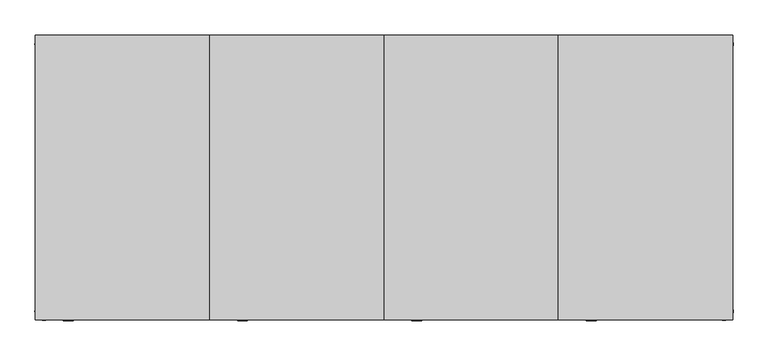
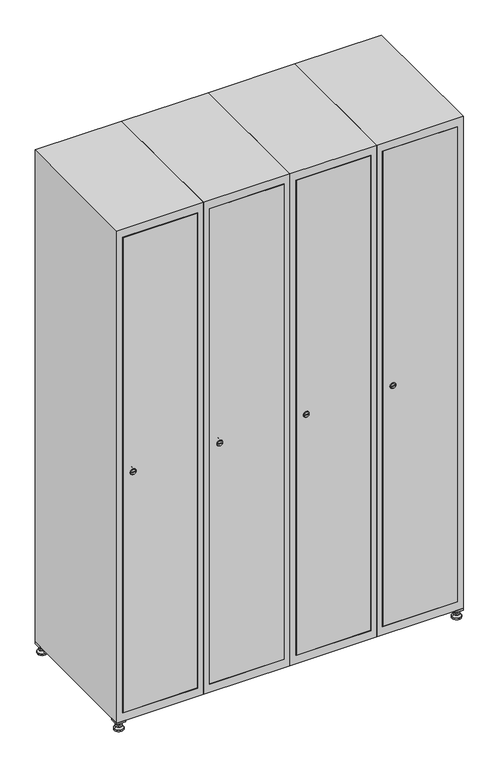
"""IFC4 building model written with IfcOpenShell, lengths in millimetres: furniture geometry."""

from ifc_helpers import new_model, si_unit, point, frame, frame_2d, origin, origin_with_axes, place, context, project, spatial, polyline, circle_curve, trimmed, segment, composite_curve, outline, extrude, faceted_brep, source, transform, mapped, element, save
from ifc_brep_helpers import plane_surface, revolved_surface, advanced_brep


def furniture_b0e16dfd(model_context):
    return source(origin(), model_context, "Body", "SolidModel", [
        extrude(outline(polyline([(1000.0, 245.0), (1000.0, 215.0), (970.0, 215.0), (970.0, 245.0), (1000.0, 245.0)]), holes=[polyline([(998.0, 243.0), (972.0, 243.0), (972.0, 217.0), (998.0, 217.0), (998.0, 243.0)])]), frame((0.0, 0.0, 28.5), z_axis=(0.0, 0.0, 1.0), x_axis=(1.0, 0.0, 0.0)), (0.0, 0.0, 1.0), 6.5),
        extrude(outline(polyline([(970.0, -245.0), (970.0, -215.0), (1000.0, -215.0), (1000.0, -245.0), (970.0, -245.0)]), holes=[polyline([(972.0, -243.0), (998.0, -243.0), (998.0, -217.0), (972.0, -217.0), (972.0, -243.0)])]), frame((0.0, 0.0, 28.5), z_axis=(0.0, 0.0, 1.0), x_axis=(1.0, 0.0, 0.0)), (0.0, 0.0, 1.0), 6.5),
        extrude(outline(polyline([(-170.0, 245.0), (-170.0, 215.0), (-200.0, 215.0), (-200.0, 245.0), (-170.0, 245.0)]), holes=[polyline([(-172.0, 243.0), (-198.0, 243.0), (-198.0, 217.0), (-172.0, 217.0), (-172.0, 243.0)])]), frame((0.0, 0.0, 28.5), z_axis=(0.0, 0.0, 1.0), x_axis=(1.0, 0.0, 0.0)), (0.0, 0.0, 1.0), 6.5),
        extrude(outline(polyline([(-170.0, -215.0), (-170.0, -245.0), (-200.0, -245.0), (-200.0, -215.0), (-170.0, -215.0)]), holes=[polyline([(-198.0, -243.0), (-172.0, -243.0), (-172.0, -217.0), (-198.0, -217.0), (-198.0, -243.0)])]), frame((0.0, 0.0, 28.5), z_axis=(0.0, 0.0, 1.0), x_axis=(1.0, 0.0, 0.0)), (0.0, 0.0, 1.0), 6.5),
        extrude(outline(composite_curve([segment(trimmed(circle_curve(frame_2d((-185.0, 230.0)), 5.0), [point((-180.0, 230.0))], [point((-190.0, 230.0))], False, "CARTESIAN"), True, "CONTINUOUS"), segment(trimmed(circle_curve(frame_2d((-185.0, 230.0)), 5.0), [point((-190.0, 230.0))], [point((-180.0, 230.0))], False, "CARTESIAN"), True, "CONTINUOUS")], self_intersect=False)), frame((0.0, 0.0, 19.6), z_axis=(0.0, 0.0, 1.0), x_axis=(1.0, 0.0, 0.0)), (0.0, 0.0, 1.0), 15.4),
        extrude(outline(composite_curve([segment(trimmed(circle_curve(frame_2d((-185.0, -230.0)), 5.0), [point((-180.0, -230.0))], [point((-190.0, -230.0))], False, "CARTESIAN"), True, "CONTINUOUS"), segment(trimmed(circle_curve(frame_2d((-185.0, -230.0)), 5.0), [point((-190.0, -230.0))], [point((-180.0, -230.0))], False, "CARTESIAN"), True, "CONTINUOUS")], self_intersect=False)), frame((0.0, 0.0, 19.6), z_axis=(0.0, 0.0, 1.0), x_axis=(1.0, 0.0, 0.0)), (0.0, 0.0, 1.0), 15.4),
        extrude(outline(composite_curve([segment(trimmed(circle_curve(frame_2d((985.0, 230.0)), 5.0), [point((990.0, 230.0))], [point((980.0, 230.0))], False, "CARTESIAN"), True, "CONTINUOUS"), segment(trimmed(circle_curve(frame_2d((985.0, 230.0)), 5.0), [point((980.0, 230.0))], [point((990.0, 230.0))], False, "CARTESIAN"), True, "CONTINUOUS")], self_intersect=False)), frame((0.0, 0.0, 19.6), z_axis=(0.0, 0.0, 1.0), x_axis=(1.0, 0.0, 0.0)), (0.0, 0.0, 1.0), 15.4),
        extrude(outline(polyline([(973.4529946, 230.0), (979.2264973, 240.0), (990.7735027, 240.0), (996.5470054, 230.0), (990.7735027, 220.0), (979.2264973, 220.0), (973.4529946, 230.0)])), frame((0.0, 0.0, 13.6), z_axis=(0.0, 0.0, 1.0), x_axis=(1.0, 0.0, 0.0)), (0.0, 0.0, 1.0), 6.0),
        extrude(outline(composite_curve([segment(trimmed(circle_curve(frame_2d((985.0, -230.0)), 5.0), [point((990.0, -230.0))], [point((980.0, -230.0))], False, "CARTESIAN"), True, "CONTINUOUS"), segment(trimmed(circle_curve(frame_2d((985.0, -230.0)), 5.0), [point((980.0, -230.0))], [point((990.0, -230.0))], False, "CARTESIAN"), True, "CONTINUOUS")], self_intersect=False)), frame((0.0, 0.0, 19.6), z_axis=(0.0, 0.0, 1.0), x_axis=(1.0, 0.0, 0.0)), (0.0, 0.0, 1.0), 15.4),
        extrude(outline(polyline([(973.4529946, -230.0), (979.2264973, -220.0), (990.7735027, -220.0), (996.5470054, -230.0), (990.7735027, -240.0), (979.2264973, -240.0), (973.4529946, -230.0)])), frame((0.0, 0.0, 13.6), z_axis=(0.0, 0.0, 1.0), x_axis=(1.0, 0.0, 0.0)), (0.0, 0.0, 1.0), 6.0),
        extrude(outline(composite_curve([segment(trimmed(circle_curve(frame_2d((985.0, 230.0)), 5.0), [point((990.0, 230.0))], [point((980.0, 230.0))], False, "CARTESIAN"), True, "CONTINUOUS"), segment(trimmed(circle_curve(frame_2d((985.0, 230.0)), 5.0), [point((980.0, 230.0))], [point((990.0, 230.0))], False, "CARTESIAN"), True, "CONTINUOUS")], self_intersect=False)), frame((0.0, 0.0, 12.1), z_axis=(0.0, 0.0, 1.0), x_axis=(1.0, 0.0, 0.0)), (0.0, 0.0, 1.0), 1.5),
        extrude(outline(composite_curve([segment(trimmed(circle_curve(frame_2d((985.0, -230.0)), 5.0), [point((990.0, -230.0))], [point((980.0, -230.0))], False, "CARTESIAN"), True, "CONTINUOUS"), segment(trimmed(circle_curve(frame_2d((985.0, -230.0)), 5.0), [point((980.0, -230.0))], [point((990.0, -230.0))], False, "CARTESIAN"), True, "CONTINUOUS")], self_intersect=False)), frame((0.0, 0.0, 12.1), z_axis=(0.0, 0.0, 1.0), x_axis=(1.0, 0.0, 0.0)), (0.0, 0.0, 1.0), 1.5),
        extrude(outline(polyline([(-196.5470054, 230.0), (-190.7735027, 240.0), (-179.2264973, 240.0), (-173.4529946, 230.0), (-179.2264973, 220.0), (-190.7735027, 220.0), (-196.5470054, 230.0)])), frame((0.0, 0.0, 13.6), z_axis=(0.0, 0.0, 1.0), x_axis=(1.0, 0.0, 0.0)), (0.0, 0.0, 1.0), 6.0),
        extrude(outline(polyline([(-196.5470054, -230.0), (-190.7735027, -220.0), (-179.2264973, -220.0), (-173.4529946, -230.0), (-179.2264973, -240.0), (-190.7735027, -240.0), (-196.5470054, -230.0)])), frame((0.0, 0.0, 13.6), z_axis=(0.0, 0.0, 1.0), x_axis=(1.0, 0.0, 0.0)), (0.0, 0.0, 1.0), 6.0),
        extrude(outline(composite_curve([segment(trimmed(circle_curve(frame_2d((-185.0, 230.0)), 5.0), [point((-185.0, 235.0))], [point((-185.0, 225.0))], False, "CARTESIAN"), True, "CONTINUOUS"), segment(trimmed(circle_curve(frame_2d((-185.0, 230.0)), 5.0), [point((-185.0, 225.0))], [point((-185.0, 235.0))], False, "CARTESIAN"), True, "CONTINUOUS")], self_intersect=False)), frame((0.0, 0.0, 12.1), z_axis=(0.0, 0.0, 1.0), x_axis=(1.0, 0.0, 0.0)), (0.0, 0.0, 1.0), 1.5),
        extrude(outline(composite_curve([segment(trimmed(circle_curve(frame_2d((-185.0, -230.0)), 5.0), [point((-180.0, -230.0))], [point((-190.0, -230.0))], False, "CARTESIAN"), True, "CONTINUOUS"), segment(trimmed(circle_curve(frame_2d((-185.0, -230.0)), 5.0), [point((-190.0, -230.0))], [point((-180.0, -230.0))], False, "CARTESIAN"), True, "CONTINUOUS")], self_intersect=False)), frame((0.0, 0.0, 12.1), z_axis=(0.0, 0.0, 1.0), x_axis=(1.0, 0.0, 0.0)), (0.0, 0.0, 1.0), 1.5),
        extrude(outline(composite_curve([segment(trimmed(circle_curve(frame_2d((985.0, 230.0)), 15.75), [point((1000.75, 230.0))], [point((969.25, 230.0))], False, "CARTESIAN"), True, "CONTINUOUS"), segment(trimmed(circle_curve(frame_2d((985.0, 230.0)), 15.75), [point((969.25, 230.0))], [point((1000.75, 230.0))], False, "CARTESIAN"), True, "CONTINUOUS")], self_intersect=False)), origin_with_axes(), (0.0, 0.0, 1.0), 5.1),
        extrude(outline(composite_curve([segment(trimmed(circle_curve(frame_2d((985.0, -230.0)), 15.75), [point((985.0, -214.25))], [point((985.0, -245.75))], False, "CARTESIAN"), True, "CONTINUOUS"), segment(trimmed(circle_curve(frame_2d((985.0, -230.0)), 15.75), [point((985.0, -245.75))], [point((985.0, -214.25))], False, "CARTESIAN"), True, "CONTINUOUS")], self_intersect=False)), origin_with_axes(), (0.0, 0.0, 1.0), 5.1),
        extrude(outline(composite_curve([segment(trimmed(circle_curve(frame_2d((-185.0, -230.0)), 15.75), [point((-169.25, -230.0))], [point((-200.75, -230.0))], False, "CARTESIAN"), True, "CONTINUOUS"), segment(trimmed(circle_curve(frame_2d((-185.0, -230.0)), 15.75), [point((-200.75, -230.0))], [point((-169.25, -230.0))], False, "CARTESIAN"), True, "CONTINUOUS")], self_intersect=False)), origin_with_axes(), (0.0, 0.0, 1.0), 5.1),
        extrude(outline(composite_curve([segment(trimmed(circle_curve(frame_2d((-185.0, 230.0)), 15.75), [point((-169.25, 230.0))], [point((-200.75, 230.0))], False, "CARTESIAN"), True, "CONTINUOUS"), segment(trimmed(circle_curve(frame_2d((-185.0, 230.0)), 15.75), [point((-200.75, 230.0))], [point((-169.25, 230.0))], False, "CARTESIAN"), True, "CONTINUOUS")], self_intersect=False)), origin_with_axes(), (0.0, 0.0, 1.0), 5.1),
        advanced_brep(
        [(-185.0, 245.75, 5.1), (-185.0, 214.25, 5.1), (-185.0, 239.5, 12.1), (-185.0, 220.5, 12.1)],
        [
            (0, 1, circle_curve(frame((-185.0, 230.0, 5.1), z_axis=(0.0, 0.0, -1.0), x_axis=(0.0, 1.0, 0.0)), 15.75)),
            (1, 0, circle_curve(frame((-185.0, 230.0, 5.1), z_axis=(0.0, 0.0, -1.0), x_axis=(0.0, -1.0, 0.0)), 15.75)),
            (2, 3, circle_curve(frame((-185.0, 230.0, 12.1), z_axis=(0.0, 0.0, 1.0), x_axis=(0.0, -1.0, 0.0)), 9.5)),
            (3, 2, circle_curve(frame((-185.0, 230.0, 12.1), z_axis=(0.0, 0.0, 1.0), x_axis=(0.0, 1.0, 0.0)), 9.5)),
            (3, 1),
            (0, 2),
        ],
        [
            plane_surface(frame((-185.0, 230.0, 5.1), z_axis=(0.0, 0.0, -1.0), x_axis=(1.0, 0.0, 0.0))),
            plane_surface(frame((-185.0, 230.0, 12.1), z_axis=(0.0, 0.0, 1.0), x_axis=(1.0, 0.0, 0.0))),
            revolved_surface(polyline([(-185.0, 220.5, 12.099999999999998), (-185.0, 214.25, 5.099999999999998)]), (-185.0, 230.0, 22.74), (0.0, 0.0, -1.0)),
            revolved_surface(polyline([(-185.0, 239.5, 12.099999999999998), (-185.0, 245.75, 5.099999999999998)]), (-185.0, 230.0, 22.74), (0.0, 0.0, -1.0)),
        ],
        [
            (0, [[1, 2]]),
            (1, [[3, 4]]),
            (2, [[-4, 5, -1, 6]]),
            (3, [[-3, -6, -2, -5]]),
        ],
    ),
        advanced_brep(
        [(985.0, 245.75, 5.1), (985.0, 214.25, 5.1), (985.0, 239.5, 12.1), (985.0, 220.5, 12.1)],
        [
            (0, 1, circle_curve(frame((985.0, 230.0, 5.1), z_axis=(0.0, 0.0, -1.0), x_axis=(0.0, 1.0, 0.0)), 15.75)),
            (1, 0, circle_curve(frame((985.0, 230.0, 5.1), z_axis=(0.0, 0.0, -1.0), x_axis=(0.0, -1.0, 0.0)), 15.75)),
            (2, 3, circle_curve(frame((985.0, 230.0, 12.1), z_axis=(0.0, 0.0, 1.0), x_axis=(0.0, -1.0, 0.0)), 9.5)),
            (3, 2, circle_curve(frame((985.0, 230.0, 12.1), z_axis=(0.0, 0.0, 1.0), x_axis=(0.0, 1.0, 0.0)), 9.5)),
            (3, 1),
            (0, 2),
        ],
        [
            plane_surface(frame((985.0, 230.0, 5.1), z_axis=(0.0, 0.0, -1.0), x_axis=(1.0, 0.0, 0.0))),
            plane_surface(frame((985.0, 230.0, 12.1), z_axis=(0.0, 0.0, 1.0), x_axis=(1.0, 0.0, 0.0))),
            revolved_surface(polyline([(985.0, 220.5, 12.099999999999998), (985.0, 214.25, 5.099999999999998)]), (985.0, 230.0, 22.74), (0.0, 0.0, -1.0)),
            revolved_surface(polyline([(985.0, 239.5, 12.099999999999998), (985.0, 245.75, 5.099999999999998)]), (985.0, 230.0, 22.74), (0.0, 0.0, -1.0)),
        ],
        [
            (0, [[1, 2]]),
            (1, [[3, 4]]),
            (2, [[-4, 5, -1, 6]]),
            (3, [[-3, -6, -2, -5]]),
        ],
    ),
        advanced_brep(
        [(994.5, -230.0, 12.1), (975.5, -230.0, 12.1), (1000.75, -230.0, 5.1), (969.25, -230.0, 5.1)],
        [
            (0, 1, circle_curve(frame((985.0, -230.0, 12.1), z_axis=(0.0, 0.0, 1.0), x_axis=(1.0, 0.0, 0.0)), 9.5)),
            (1, 0, circle_curve(frame((985.0, -230.0, 12.1), z_axis=(0.0, 0.0, 1.0), x_axis=(-1.0, 0.0, 0.0)), 9.5)),
            (2, 3, circle_curve(frame((985.0, -230.0, 5.1), z_axis=(0.0, 0.0, -1.0), x_axis=(-1.0, 0.0, 0.0)), 15.75)),
            (3, 2, circle_curve(frame((985.0, -230.0, 5.1), z_axis=(0.0, 0.0, -1.0), x_axis=(1.0, 0.0, 0.0)), 15.75)),
            (3, 1),
            (0, 2),
        ],
        [
            plane_surface(frame((985.0, -230.0, 12.1), z_axis=(0.0, 0.0, 1.0), x_axis=(0.0, 1.0, 0.0))),
            plane_surface(frame((985.0, -230.0, 5.1), z_axis=(0.0, 0.0, -1.0), x_axis=(0.0, 1.0, 0.0))),
            revolved_surface(polyline([(994.5, -230.0, 12.099999999999998), (1000.75, -230.0, 5.099999999999998)]), (985.0, -230.0, 22.74), (0.0, 0.0, -1.0)),
            revolved_surface(polyline([(975.5, -230.0, 12.099999999999998), (969.25, -230.0, 5.099999999999998)]), (985.0, -230.0, 22.74), (0.0, 0.0, -1.0)),
        ],
        [
            (0, [[1, 2]]),
            (1, [[3, 4]]),
            (2, [[-4, 5, -1, 6]]),
            (3, [[-3, -6, -2, -5]]),
        ],
    ),
        advanced_brep(
        [(-175.5, -230.0, 12.1), (-194.5, -230.0, 12.1), (-169.25, -230.0, 5.1), (-200.75, -230.0, 5.1)],
        [
            (0, 1, circle_curve(frame((-185.0, -230.0, 12.1), z_axis=(0.0, 0.0, 1.0), x_axis=(1.0, 0.0, 0.0)), 9.5)),
            (1, 0, circle_curve(frame((-185.0, -230.0, 12.1), z_axis=(0.0, 0.0, 1.0), x_axis=(-1.0, 0.0, 0.0)), 9.5)),
            (2, 3, circle_curve(frame((-185.0, -230.0, 5.1), z_axis=(0.0, 0.0, -1.0), x_axis=(-1.0, 0.0, 0.0)), 15.75)),
            (3, 2, circle_curve(frame((-185.0, -230.0, 5.1), z_axis=(0.0, 0.0, -1.0), x_axis=(1.0, 0.0, 0.0)), 15.75)),
            (3, 1),
            (0, 2),
        ],
        [
            plane_surface(frame((-185.0, -230.0, 12.1), z_axis=(0.0, 0.0, 1.0), x_axis=(0.0, 1.0, 0.0))),
            plane_surface(frame((-185.0, -230.0, 5.1), z_axis=(0.0, 0.0, -1.0), x_axis=(0.0, 1.0, 0.0))),
            revolved_surface(polyline([(-175.5, -230.0, 12.099999999999998), (-169.25, -230.0, 5.099999999999998)]), (-185.0, -230.0, 22.74), (0.0, 0.0, -1.0)),
            revolved_surface(polyline([(-194.5, -230.0, 12.099999999999998), (-200.75, -230.0, 5.099999999999998)]), (-185.0, -230.0, 22.74), (0.0, 0.0, -1.0)),
        ],
        [
            (0, [[1, 2]]),
            (1, [[3, 4]]),
            (2, [[-4, 5, -1, 6]]),
            (3, [[-3, -6, -2, -5]]),
        ],
    ),
        extrude(outline(composite_curve([segment(trimmed(circle_curve(frame_2d((935.0, 729.6010534)), 7.0), [point((942.0, 729.6010534))], [point((928.0, 729.6010534))], False, "CARTESIAN"), True, "CONTINUOUS"), segment(polyline([(928.0, 729.6010534), (928.0, 757.6010534)]), True, "CONTINUOUS"), segment(trimmed(circle_curve(frame_2d((935.0, 757.6010534)), 7.0), [point((928.0, 757.6010534))], [point((942.0, 757.6010534))], False, "CARTESIAN"), True, "CONTINUOUS"), segment(polyline([(942.0, 757.6010534), (942.0, 729.6010534)]), True, "CONTINUOUS")], self_intersect=False)), frame((0.0, -227.0, 0.0), z_axis=(0.0, 1.0, 0.0), x_axis=(0.0, 0.0, 1.0)), (0.0, 0.0, 1.0), 2.0),
        advanced_brep(
        [(764.9, -247.2, 935.0), (747.9, -247.2, 935.0), (751.4, -247.2, 933.75), (751.4, -247.2, 936.25), (761.4, -247.2, 936.25), (761.4, -247.2, 933.75), (766.9, -245.0, 935.0), (745.9, -245.0, 935.0), (751.4, -245.0, 936.25), (751.4, -245.0, 933.75), (761.4, -245.0, 933.75), (761.4, -245.0, 936.25)],
        [
            (0, 1, circle_curve(frame((756.4, -247.2, 935.0), z_axis=(0.0, -1.0, 0.0), x_axis=(1.0, 0.0, 0.0)), 8.5)),
            (1, 0, circle_curve(frame((756.4, -247.2, 935.0), z_axis=(0.0, -1.0, 0.0), x_axis=(-1.0, 0.0, 0.0)), 8.5)),
            (2, 3),
            (3, 4),
            (4, 5),
            (5, 2),
            (6, 7, circle_curve(frame((756.4, -245.0, 935.0), z_axis=(0.0, 1.0, 0.0), x_axis=(-1.0, 0.0, 0.0)), 10.5)),
            (7, 6, circle_curve(frame((756.4, -245.0, 935.0), z_axis=(0.0, 1.0, 0.0), x_axis=(1.0, 0.0, 0.0)), 10.5)),
            (8, 9),
            (9, 10),
            (10, 11),
            (11, 8),
            (0, 6),
            (7, 1),
            (8, 3),
            (2, 9),
            (11, 4),
            (10, 5),
        ],
        [
            plane_surface(frame((756.4, -247.2, 935.0), z_axis=(0.0, -1.0, 0.0), x_axis=(0.0, 0.0, 1.0))),
            plane_surface(frame((756.4, -245.0, 935.0), z_axis=(0.0, 1.0, 0.0), x_axis=(0.0, 0.0, 1.0))),
            revolved_surface(polyline([(764.9, -247.2, 935.0), (766.9, -245.0, 935.0)]), (756.4, -256.55, 935.0), (0.0, 1.0, 0.0)),
            revolved_surface(polyline([(747.9, -247.2, 935.0), (745.9, -245.0, 935.0)]), (756.4, -256.55, 935.0), (0.0, 1.0, 0.0)),
            plane_surface(frame((751.4, -245.0, 933.75), z_axis=(1.0, 0.0, 0.0), x_axis=(0.0, -1.0, 0.0))),
            plane_surface(frame((751.4, -245.0, 936.25), z_axis=(0.0, 0.0, -1.0), x_axis=(0.0, -1.0, 0.0))),
            plane_surface(frame((761.4, -245.0, 936.25), z_axis=(-1.0, 0.0, 0.0), x_axis=(0.0, -1.0, 0.0))),
            plane_surface(frame((761.4, -245.0, 933.75), z_axis=(0.0, 0.0, 1.0), x_axis=(0.0, -1.0, 0.0))),
        ],
        [
            (0, [[1, 2], [3, 4, 5, 6]]),
            (1, [[7, 8], [9, 10, 11, 12]]),
            (2, [[-1, 13, -8, 14]]),
            (3, [[-2, -14, -7, -13]]),
            (4, [[15, -3, 16, -9]]),
            (5, [[-15, -12, 17, -4]]),
            (6, [[-17, -11, 18, -5]]),
            (7, [[-16, -6, -18, -10]]),
        ],
    ),
        extrude(outline(polyline([(978.6, -227.0), (978.6, -245.0), (721.4, -245.0), (721.4, -227.0), (978.6, -227.0)])), frame((0.0, 0.0, 66.2), z_axis=(0.0, 0.0, 1.0), x_axis=(1.0, 0.0, 0.0)), (0.0, 0.0, 1.0), 1737.6),
        faceted_brep([(1000.0, -245.0, 35.0), (1000.0, -245.0, 1835.0), (700.0, -245.0, 1835.0), (700.0, -245.0, 35.0), (979.6, -245.0, 1804.8), (979.6, -245.0, 65.2), (720.4, -245.0, 65.2), (720.4, -245.0, 1804.8), (1000.0, 245.0, 35.0), (700.0, 245.0, 35.0), (1000.0, 245.0, 1835.0), (700.0, 245.0, 1835.0), (979.6, 242.0, 1804.8), (979.6, 242.0, 65.2), (700.0, 245.0, 1804.8), (720.4, 242.0, 1804.8), (720.4, 242.0, 65.2)], [[[0, 1, 2, 3], [4, 5, 6, 7]], [[8, 0, 3, 9]], [[1, 0, 8, 10]], [[1, 10, 11, 2]], [[4, 12, 13, 5]], [[9, 3, 2, 11, 14]], [[10, 8, 9, 14, 11]], [[12, 15, 16, 13]], [[15, 7, 6, 16]], [[4, 7, 15, 12]], [[6, 5, 13, 16]]]),
        extrude(outline(composite_curve([segment(trimmed(circle_curve(frame_2d((935.0, 429.6010534)), 7.0), [point((942.0, 429.6010534))], [point((928.0, 429.6010534))], False, "CARTESIAN"), True, "CONTINUOUS"), segment(polyline([(928.0, 429.6010534), (928.0, 457.6010534)]), True, "CONTINUOUS"), segment(trimmed(circle_curve(frame_2d((935.0, 457.6010534)), 7.0), [point((928.0, 457.6010534))], [point((942.0, 457.6010534))], False, "CARTESIAN"), True, "CONTINUOUS"), segment(polyline([(942.0, 457.6010534), (942.0, 429.6010534)]), True, "CONTINUOUS")], self_intersect=False)), frame((0.0, -227.0, 0.0), z_axis=(0.0, 1.0, 0.0), x_axis=(0.0, 0.0, 1.0)), (0.0, 0.0, 1.0), 2.0),
        advanced_brep(
        [(464.9, -247.2, 935.0), (447.9, -247.2, 935.0), (451.4, -247.2, 933.75), (451.4, -247.2, 936.25), (461.4, -247.2, 936.25), (461.4, -247.2, 933.75), (466.9, -245.0, 935.0), (445.9, -245.0, 935.0), (451.4, -245.0, 936.25), (451.4, -245.0, 933.75), (461.4, -245.0, 933.75), (461.4, -245.0, 936.25)],
        [
            (0, 1, circle_curve(frame((456.4, -247.2, 935.0), z_axis=(0.0, -1.0, 0.0), x_axis=(1.0, 0.0, 0.0)), 8.5)),
            (1, 0, circle_curve(frame((456.4, -247.2, 935.0), z_axis=(0.0, -1.0, 0.0), x_axis=(-1.0, 0.0, 0.0)), 8.5)),
            (2, 3),
            (3, 4),
            (4, 5),
            (5, 2),
            (6, 7, circle_curve(frame((456.4, -245.0, 935.0), z_axis=(0.0, 1.0, 0.0), x_axis=(-1.0, 0.0, 0.0)), 10.5)),
            (7, 6, circle_curve(frame((456.4, -245.0, 935.0), z_axis=(0.0, 1.0, 0.0), x_axis=(1.0, 0.0, 0.0)), 10.5)),
            (8, 9),
            (9, 10),
            (10, 11),
            (11, 8),
            (0, 6),
            (7, 1),
            (8, 3),
            (2, 9),
            (11, 4),
            (10, 5),
        ],
        [
            plane_surface(frame((456.4, -247.2, 935.0), z_axis=(0.0, -1.0, 0.0), x_axis=(0.0, 0.0, 1.0))),
            plane_surface(frame((456.4, -245.0, 935.0), z_axis=(0.0, 1.0, 0.0), x_axis=(0.0, 0.0, 1.0))),
            revolved_surface(polyline([(464.9, -247.2, 935.0), (466.9, -245.0, 935.0)]), (456.4, -256.55, 935.0), (0.0, 1.0, 0.0)),
            revolved_surface(polyline([(447.9, -247.2, 935.0), (445.9, -245.0, 935.0)]), (456.4, -256.55, 935.0), (0.0, 1.0, 0.0)),
            plane_surface(frame((451.4, -245.0, 933.75), z_axis=(1.0, 0.0, 0.0), x_axis=(0.0, -1.0, 0.0))),
            plane_surface(frame((451.4, -245.0, 936.25), z_axis=(0.0, 0.0, -1.0), x_axis=(0.0, -1.0, 0.0))),
            plane_surface(frame((461.4, -245.0, 936.25), z_axis=(-1.0, 0.0, 0.0), x_axis=(0.0, -1.0, 0.0))),
            plane_surface(frame((461.4, -245.0, 933.75), z_axis=(0.0, 0.0, 1.0), x_axis=(0.0, -1.0, 0.0))),
        ],
        [
            (0, [[1, 2], [3, 4, 5, 6]]),
            (1, [[7, 8], [9, 10, 11, 12]]),
            (2, [[-1, 13, -8, 14]]),
            (3, [[-2, -14, -7, -13]]),
            (4, [[15, -3, 16, -9]]),
            (5, [[-15, -12, 17, -4]]),
            (6, [[-17, -11, 18, -5]]),
            (7, [[-16, -6, -18, -10]]),
        ],
    ),
        extrude(outline(polyline([(678.6, -227.0), (678.6, -245.0), (421.4, -245.0), (421.4, -227.0), (678.6, -227.0)])), frame((0.0, 0.0, 66.2), z_axis=(0.0, 0.0, 1.0), x_axis=(1.0, 0.0, 0.0)), (0.0, 0.0, 1.0), 1737.6),
        faceted_brep([(700.0, -245.0, 35.0), (700.0, -245.0, 1835.0), (400.0, -245.0, 1835.0), (400.0, -245.0, 35.0), (679.6, -245.0, 1804.8), (679.6, -245.0, 65.2), (420.4, -245.0, 65.2), (420.4, -245.0, 1804.8), (700.0, 245.0, 35.0), (400.0, 245.0, 35.0), (700.0, 245.0, 1835.0), (400.0, 245.0, 1835.0), (679.6, 242.0, 1804.8), (679.6, 242.0, 65.2), (400.0, 245.0, 1804.8), (420.4, 242.0, 1804.8), (420.4, 242.0, 65.2)], [[[0, 1, 2, 3], [4, 5, 6, 7]], [[8, 0, 3, 9]], [[1, 0, 8, 10]], [[1, 10, 11, 2]], [[4, 12, 13, 5]], [[9, 3, 2, 11, 14]], [[10, 8, 9, 14, 11]], [[12, 15, 16, 13]], [[15, 7, 6, 16]], [[4, 7, 15, 12]], [[6, 5, 13, 16]]]),
        extrude(outline(composite_curve([segment(trimmed(circle_curve(frame_2d((935.0, 129.6010534)), 7.0), [point((942.0, 129.6010534))], [point((928.0, 129.6010534))], False, "CARTESIAN"), True, "CONTINUOUS"), segment(polyline([(928.0, 129.6010534), (928.0, 157.6010534)]), True, "CONTINUOUS"), segment(trimmed(circle_curve(frame_2d((935.0, 157.6010534)), 7.0), [point((928.0, 157.6010534))], [point((942.0, 157.6010534))], False, "CARTESIAN"), True, "CONTINUOUS"), segment(polyline([(942.0, 157.6010534), (942.0, 129.6010534)]), True, "CONTINUOUS")], self_intersect=False)), frame((0.0, -227.0, 0.0), z_axis=(0.0, 1.0, 0.0), x_axis=(0.0, 0.0, 1.0)), (0.0, 0.0, 1.0), 2.0),
        advanced_brep(
        [(164.9, -247.2, 935.0), (147.9, -247.2, 935.0), (151.4, -247.2, 933.75), (151.4, -247.2, 936.25), (161.4, -247.2, 936.25), (161.4, -247.2, 933.75), (166.9, -245.0, 935.0), (145.9, -245.0, 935.0), (151.4, -245.0, 936.25), (151.4, -245.0, 933.75), (161.4, -245.0, 933.75), (161.4, -245.0, 936.25)],
        [
            (0, 1, circle_curve(frame((156.4, -247.2, 935.0), z_axis=(0.0, -1.0, 0.0), x_axis=(1.0, 0.0, 0.0)), 8.5)),
            (1, 0, circle_curve(frame((156.4, -247.2, 935.0), z_axis=(0.0, -1.0, 0.0), x_axis=(-1.0, 0.0, 0.0)), 8.5)),
            (2, 3),
            (3, 4),
            (4, 5),
            (5, 2),
            (6, 7, circle_curve(frame((156.4, -245.0, 935.0), z_axis=(0.0, 1.0, 0.0), x_axis=(-1.0, 0.0, 0.0)), 10.5)),
            (7, 6, circle_curve(frame((156.4, -245.0, 935.0), z_axis=(0.0, 1.0, 0.0), x_axis=(1.0, 0.0, 0.0)), 10.5)),
            (8, 9),
            (9, 10),
            (10, 11),
            (11, 8),
            (0, 6),
            (7, 1),
            (8, 3),
            (2, 9),
            (11, 4),
            (10, 5),
        ],
        [
            plane_surface(frame((156.4, -247.2, 935.0), z_axis=(0.0, -1.0, 0.0), x_axis=(0.0, 0.0, 1.0))),
            plane_surface(frame((156.4, -245.0, 935.0), z_axis=(0.0, 1.0, 0.0), x_axis=(0.0, 0.0, 1.0))),
            revolved_surface(polyline([(164.9, -247.2, 935.0), (166.9, -245.0, 935.0)]), (156.4, -256.55, 935.0), (0.0, 1.0, 0.0)),
            revolved_surface(polyline([(147.9, -247.2, 935.0), (145.9, -245.0, 935.0)]), (156.4, -256.55, 935.0), (0.0, 1.0, 0.0)),
            plane_surface(frame((151.4, -245.0, 933.75), z_axis=(1.0, 0.0, 0.0), x_axis=(0.0, -1.0, 0.0))),
            plane_surface(frame((151.4, -245.0, 936.25), z_axis=(0.0, 0.0, -1.0), x_axis=(0.0, -1.0, 0.0))),
            plane_surface(frame((161.4, -245.0, 936.25), z_axis=(-1.0, 0.0, 0.0), x_axis=(0.0, -1.0, 0.0))),
            plane_surface(frame((161.4, -245.0, 933.75), z_axis=(0.0, 0.0, 1.0), x_axis=(0.0, -1.0, 0.0))),
        ],
        [
            (0, [[1, 2], [3, 4, 5, 6]]),
            (1, [[7, 8], [9, 10, 11, 12]]),
            (2, [[-1, 13, -8, 14]]),
            (3, [[-2, -14, -7, -13]]),
            (4, [[15, -3, 16, -9]]),
            (5, [[-15, -12, 17, -4]]),
            (6, [[-17, -11, 18, -5]]),
            (7, [[-16, -6, -18, -10]]),
        ],
    ),
        extrude(outline(polyline([(378.6, -227.0), (378.6, -245.0), (121.4, -245.0), (121.4, -227.0), (378.6, -227.0)])), frame((0.0, 0.0, 66.2), z_axis=(0.0, 0.0, 1.0), x_axis=(1.0, 0.0, 0.0)), (0.0, 0.0, 1.0), 1737.6),
        faceted_brep([(400.0, -245.0, 35.0), (400.0, -245.0, 1835.0), (100.0, -245.0, 1835.0), (100.0, -245.0, 35.0), (379.6, -245.0, 1804.8), (379.6, -245.0, 65.2), (120.4, -245.0, 65.2), (120.4, -245.0, 1804.8), (400.0, 245.0, 35.0), (100.0, 245.0, 35.0), (400.0, 245.0, 1835.0), (100.0, 245.0, 1835.0), (379.6, 242.0, 1804.8), (379.6, 242.0, 65.2), (100.0, 245.0, 1804.8), (120.4, 242.0, 1804.8), (120.4, 242.0, 65.2)], [[[0, 1, 2, 3], [4, 5, 6, 7]], [[8, 0, 3, 9]], [[1, 0, 8, 10]], [[1, 10, 11, 2]], [[4, 12, 13, 5]], [[9, 3, 2, 11, 14]], [[10, 8, 9, 14, 11]], [[12, 15, 16, 13]], [[15, 7, 6, 16]], [[4, 7, 15, 12]], [[6, 5, 13, 16]]]),
        extrude(outline(composite_curve([segment(trimmed(circle_curve(frame_2d((935.0, -170.3989466)), 7.0), [point((942.0, -170.3989466))], [point((928.0, -170.3989466))], False, "CARTESIAN"), True, "CONTINUOUS"), segment(polyline([(928.0, -170.3989466), (928.0, -142.3989466)]), True, "CONTINUOUS"), segment(trimmed(circle_curve(frame_2d((935.0, -142.3989466)), 7.0), [point((928.0, -142.3989466))], [point((942.0, -142.3989466))], False, "CARTESIAN"), True, "CONTINUOUS"), segment(polyline([(942.0, -142.3989466), (942.0, -170.3989466)]), True, "CONTINUOUS")], self_intersect=False)), frame((0.0, -227.0, 0.0), z_axis=(0.0, 1.0, 0.0), x_axis=(0.0, 0.0, 1.0)), (0.0, 0.0, 1.0), 2.0),
        advanced_brep(
        [(-135.1, -247.2, 935.0), (-152.1, -247.2, 935.0), (-148.6, -247.2, 933.75), (-148.6, -247.2, 936.25), (-138.6, -247.2, 936.25), (-138.6, -247.2, 933.75), (-133.1, -245.0, 935.0), (-154.1, -245.0, 935.0), (-148.6, -245.0, 936.25), (-148.6, -245.0, 933.75), (-138.6, -245.0, 933.75), (-138.6, -245.0, 936.25)],
        [
            (0, 1, circle_curve(frame((-143.6, -247.2, 935.0), z_axis=(0.0, -1.0, 0.0), x_axis=(1.0, 0.0, 0.0)), 8.5)),
            (1, 0, circle_curve(frame((-143.6, -247.2, 935.0), z_axis=(0.0, -1.0, 0.0), x_axis=(-1.0, 0.0, 0.0)), 8.5)),
            (2, 3),
            (3, 4),
            (4, 5),
            (5, 2),
            (6, 7, circle_curve(frame((-143.6, -245.0, 935.0), z_axis=(0.0, 1.0, 0.0), x_axis=(-1.0, 0.0, 0.0)), 10.5)),
            (7, 6, circle_curve(frame((-143.6, -245.0, 935.0), z_axis=(0.0, 1.0, 0.0), x_axis=(1.0, 0.0, 0.0)), 10.5)),
            (8, 9),
            (9, 10),
            (10, 11),
            (11, 8),
            (0, 6),
            (7, 1),
            (8, 3),
            (2, 9),
            (11, 4),
            (10, 5),
        ],
        [
            plane_surface(frame((-143.6, -247.2, 935.0), z_axis=(0.0, -1.0, 0.0), x_axis=(0.0, 0.0, 1.0))),
            plane_surface(frame((-143.6, -245.0, 935.0), z_axis=(0.0, 1.0, 0.0), x_axis=(0.0, 0.0, 1.0))),
            revolved_surface(polyline([(-135.1, -247.2, 935.0), (-133.1, -245.0, 935.0)]), (-143.6, -256.55, 935.0), (0.0, 1.0, 0.0)),
            revolved_surface(polyline([(-152.1, -247.2, 935.0), (-154.1, -245.0, 935.0)]), (-143.6, -256.55, 935.0), (0.0, 1.0, 0.0)),
            plane_surface(frame((-148.6, -245.0, 933.75), z_axis=(1.0, 0.0, 0.0), x_axis=(0.0, -1.0, 0.0))),
            plane_surface(frame((-148.6, -245.0, 936.25), z_axis=(0.0, 0.0, -1.0), x_axis=(0.0, -1.0, 0.0))),
            plane_surface(frame((-138.6, -245.0, 936.25), z_axis=(-1.0, 0.0, 0.0), x_axis=(0.0, -1.0, 0.0))),
            plane_surface(frame((-138.6, -245.0, 933.75), z_axis=(0.0, 0.0, 1.0), x_axis=(0.0, -1.0, 0.0))),
        ],
        [
            (0, [[1, 2], [3, 4, 5, 6]]),
            (1, [[7, 8], [9, 10, 11, 12]]),
            (2, [[-1, 13, -8, 14]]),
            (3, [[-2, -14, -7, -13]]),
            (4, [[15, -3, 16, -9]]),
            (5, [[-15, -12, 17, -4]]),
            (6, [[-17, -11, 18, -5]]),
            (7, [[-16, -6, -18, -10]]),
        ],
    ),
        extrude(outline(polyline([(78.6, -227.0), (78.6, -245.0), (-178.6, -245.0), (-178.6, -227.0), (78.6, -227.0)])), frame((0.0, 0.0, 66.2), z_axis=(0.0, 0.0, 1.0), x_axis=(1.0, 0.0, 0.0)), (0.0, 0.0, 1.0), 1737.6),
        faceted_brep([(100.0, -245.0, 35.0), (100.0, -245.0, 1835.0), (-200.0, -245.0, 1835.0), (-200.0, -245.0, 35.0), (79.6, -245.0, 1804.8), (79.6, -245.0, 65.2), (-179.6, -245.0, 65.2), (-179.6, -245.0, 1804.8), (100.0, 245.0, 35.0), (-200.0, 245.0, 35.0), (100.0, 245.0, 1835.0), (-200.0, 245.0, 1835.0), (79.6, 242.0, 1804.8), (79.6, 242.0, 65.2), (-200.0, 245.0, 1804.8), (-179.6, 242.0, 1804.8), (-179.6, 242.0, 65.2)], [[[0, 1, 2, 3], [4, 5, 6, 7]], [[8, 0, 3, 9]], [[1, 0, 8, 10]], [[1, 10, 11, 2]], [[4, 12, 13, 5]], [[9, 3, 2, 11, 14]], [[10, 8, 9, 14, 11]], [[12, 15, 16, 13]], [[15, 7, 6, 16]], [[4, 7, 15, 12]], [[6, 5, 13, 16]]]),
    ])


if __name__ == "__main__":
    model = new_model("IFC4")
    model_context = context("Model", 3, world=origin())
    ifc_project = project(units=[si_unit("LENGTHUNIT", "METRE", prefix="MILLI")], contexts=[model_context])
    site = spatial("IfcSite", under=ifc_project)
    building = spatial("IfcBuilding", under=site)
    placement = place(None, origin())
    furniture_shape = furniture_b0e16dfd(model_context)
    element("IfcFurniture", 1, at=placement, inside=building, context=model_context, shape_type="MappedRepresentation", body=[
        mapped(furniture_shape, transform((0.0, 0.0, 0.0), x_axis=(1.0, 0.0, 0.0), y_axis=(0.0, 1.0, 0.0), z_axis=(0.0, 0.0, 1.0))),
    ])
    save(model, "model.ifc")
